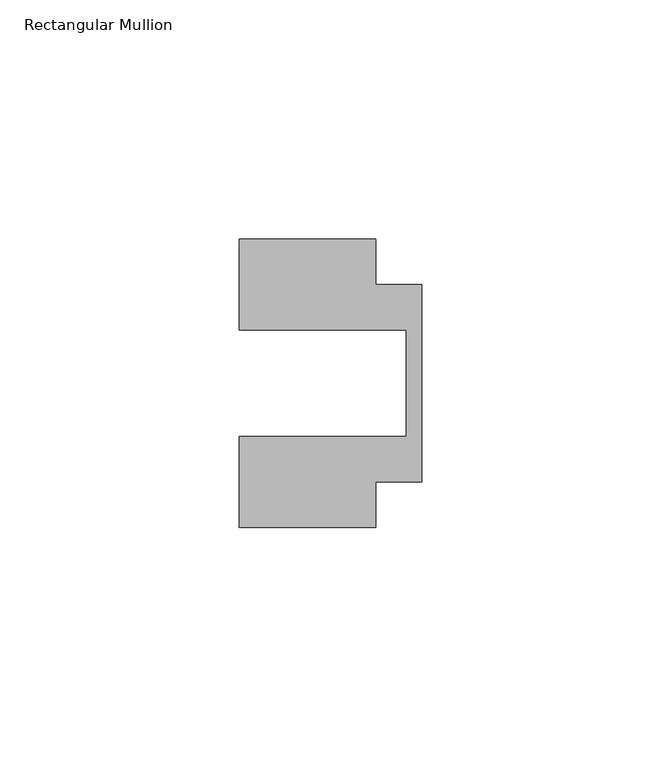
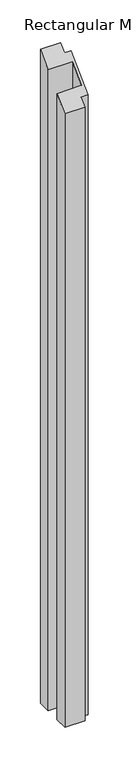
"""IFC4 building model written with IfcOpenShell, lengths in millimetres: member geometry, Rectangular Mullion."""

from ifc_helpers import new_model, si_unit, origin, place, context, project, spatial, faceted_brep, source, transform, mapped, element, save


def rectangular_mullion_47ba3f61(model_context):
    return source(origin(), model_context, "Body", "Brep", [
        faceted_brep([(-38.1, 11.1125, -952.5), (-38.1, 30.1625, -952.5), (-9.525, 30.1625, -952.5), (-9.525, 20.6375, -952.5), (0.0, 20.6375, -952.5), (0.0, -20.6375, -952.5), (-9.525, -20.6375, -952.5), (-9.525, -30.1625, -952.5), (-38.1, -30.1625, -952.5), (-38.1, -11.1125, -952.5), (-3.175, -11.1125, -952.5), (-3.175, 11.1125, -952.5), (-3.175, 11.1125, 11.1125), (-38.1, 11.1125, 11.1125), (-3.175, -11.1125, -11.1125), (-38.1, -11.1125, -11.1125), (-38.1, -30.1625, -30.1625), (-9.525, -30.1625, -30.1625), (-9.525, -20.6375, -20.6375), (0.0, -20.6375, -20.6375), (0.0, 20.6375, 20.6375), (-9.525, 20.6375, 20.6375), (-9.525, 30.1625, 30.1625), (-38.1, 30.1625, 30.1625)], [[[0, 1, 2, 3, 4, 5, 6, 7, 8, 9, 10, 11]], [[12, 13, 0, 11]], [[14, 12, 11, 10]], [[15, 14, 10, 9]], [[16, 15, 9, 8]], [[17, 16, 8, 7]], [[18, 17, 7, 6]], [[19, 18, 6, 5]], [[20, 19, 5, 4]], [[21, 20, 4, 3]], [[22, 21, 3, 2]], [[23, 22, 2, 1]], [[13, 23, 1, 0]], [[13, 12, 14, 15, 16, 17, 18, 19, 20, 21, 22, 23]]]),
    ])


if __name__ == "__main__":
    model = new_model("IFC4")
    model_context = context("Model", 3, world=origin())
    ifc_project = project(units=[si_unit("LENGTHUNIT", "METRE", prefix="MILLI")], contexts=[model_context])
    site = spatial("IfcSite", under=ifc_project)
    building = spatial("IfcBuilding", under=site)
    placement = place(None, origin())
    rectangular_mullion_shape = rectangular_mullion_47ba3f61(model_context)
    element("IfcMember", 1, ObjectType="Rectangular Mullion", at=placement, inside=building, context=model_context, shape_type="MappedRepresentation", body=[
        mapped(rectangular_mullion_shape, transform((0.0, 0.0, 0.0), x_axis=(1.0, 0.0, 0.0), y_axis=(0.0, 1.0, 0.0), z_axis=(0.0, 0.0, 1.0))),
    ])
    save(model, "model.ifc")
